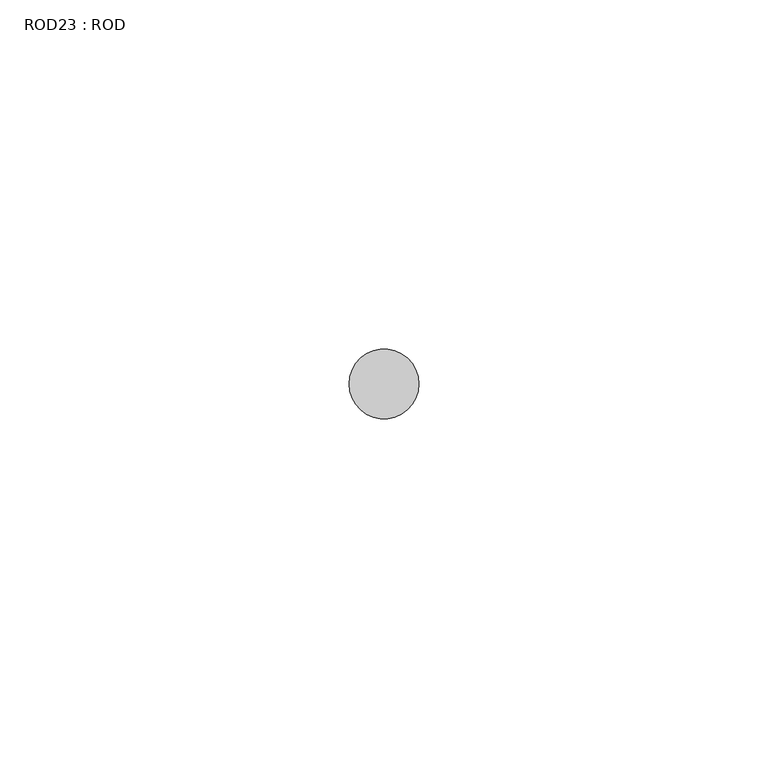
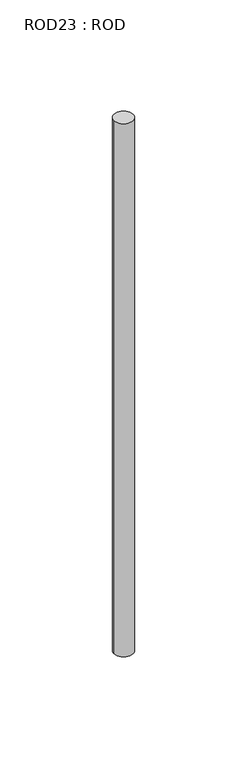
"""IFC4 building model written with IfcOpenShell, lengths in millimetres: proxy geometry, ROD23 : ROD."""

import ifcopenshell
import ifcopenshell.guid

model = None  # the IFC model being written
_history = None  # IfcOwnerHistory: only IFC2X3 demands one
_inside = {}  # id of a spatial element -> (the spatial element, [elements in it])
_under = {}  # id of a project, library or spatial element -> (it, [spatial elements below it])
_declared = {}  # id of a project -> (the project, [libraries it declares])
_typed = {}  # id of a type object -> (the type object, [elements of that type])
_made_of = {}  # id of a material, layer set ... -> (it, [elements and type objects made of it])


def new_model(schema):
    """Start an empty IFC model of exactly this schema.

    Asked for "IFC4X3", IfcOpenShell would pick the latest addendum, in which some entities
    have other attributes; the version numbers below select the first issue.
    IFC2X3 requires an IfcOwnerHistory on every rooted entity: one is made here for all.
    """
    global model, _history
    if schema == "IFC4X3":
        model = ifcopenshell.file(schema_version=(4, 3, 0, 0))
    else:
        model = ifcopenshell.file(schema=schema)
    _inside.clear()
    _under.clear()
    _declared.clear()
    _typed.clear()
    _made_of.clear()
    _history = None
    if model.schema == "IFC2X3":
        org = make("IfcOrganization", Name="unknown")
        user = make(
            "IfcPersonAndOrganization",
            ThePerson=make("IfcPerson", FamilyName="unknown"),
            TheOrganization=org,
        )
        app = make(
            "IfcApplication",
            ApplicationDeveloper=org,
            Version="unknown",
            ApplicationFullName="unknown",
            ApplicationIdentifier="unknown",
        )
        _history = make(
            "IfcOwnerHistory",
            OwningUser=user,
            OwningApplication=app,
            ChangeAction="ADDED",
            CreationDate=0,
        )
    return model


def make(cls, **values):
    """One entity of the class cls with the attributes given. An attribute that is None is left unset."""
    return model.create_entity(
        cls, **{name: value for name, value in values.items() if value is not None}
    )


def rooted(cls, **values):
    """An entity with a GlobalId (a new one), such as an element, a storey or a relation."""
    return make(cls, GlobalId=ifcopenshell.guid.new(), OwnerHistory=_history, **values)


def si_unit(unit_type, name, prefix=None):
    """IfcSIUnit, for example si_unit("LENGTHUNIT", "METRE", prefix="MILLI")."""
    return make("IfcSIUnit", UnitType=unit_type, Prefix=prefix, Name=name)


def assignment(units):
    """IfcUnitAssignment: the units of a project."""
    return None if units is None else make("IfcUnitAssignment", Units=units)


def point(xyz):
    """IfcCartesianPoint."""
    return None if xyz is None else make("IfcCartesianPoint", Coordinates=xyz)


def direction(xyz):
    """IfcDirection."""
    return None if xyz is None else make("IfcDirection", DirectionRatios=xyz)


def frame(location, z_axis=None, x_axis=None):
    """IfcAxis2Placement3D, a coordinate frame: its origin and axes. An axis left out is left unset."""
    return make(
        "IfcAxis2Placement3D",
        Location=point(location),
        Axis=direction(z_axis),
        RefDirection=direction(x_axis),
    )


def frame_2d(location, x_axis=None):
    """IfcAxis2Placement2D, a coordinate frame in the plane: its origin and x axis."""
    return make(
        "IfcAxis2Placement2D", Location=point(location), RefDirection=direction(x_axis)
    )


def origin():
    """The frame at (0, 0, 0) with its axes left unset."""
    return frame((0.0, 0.0, 0.0))


def place(relative_to, where):
    """IfcLocalPlacement: puts the frame where relative to a parent placement (None: the world)."""
    return make(
        "IfcLocalPlacement", PlacementRelTo=relative_to, RelativePlacement=where
    )


def context(
    kind, dimensions, precision=None, world=None, true_north=None, identifier=None
):
    """IfcGeometricRepresentationContext, for example the 3D "Model" context."""
    return make(
        "IfcGeometricRepresentationContext",
        ContextIdentifier=identifier,
        ContextType=kind,
        CoordinateSpaceDimension=dimensions,
        Precision=precision,
        WorldCoordinateSystem=world,
        TrueNorth=true_north,
    )


def project(units=None, contexts=None):
    """IfcProject with its units and contexts."""
    return rooted(
        "IfcProject",
        Name="project",
        RepresentationContexts=contexts,
        UnitsInContext=assignment(units),
    )


def spatial(cls, under=None, at=None, **own):
    """A site, building, storey or space (cls), placed at a placement, below another one or the project."""
    s = rooted(cls, ObjectPlacement=at, **own)
    if under is not None:
        _under.setdefault(under.id(), (under, []))[1].append(s)
    return s


def circle_curve(where, radius):
    """IfcCircle in the frame where."""
    return make("IfcCircle", Position=where, Radius=radius)


def trimmed(basis, trim1, trim2, sense, master):
    """IfcTrimmedCurve: the piece of a basis curve between two trims."""
    return make(
        "IfcTrimmedCurve",
        BasisCurve=basis,
        Trim1=trim1,
        Trim2=trim2,
        SenseAgreement=sense,
        MasterRepresentation=master,
    )


def segment(curve, same_sense, transition):
    """IfcCompositeCurveSegment."""
    return make(
        "IfcCompositeCurveSegment",
        Transition=transition,
        SameSense=same_sense,
        ParentCurve=curve,
    )


def composite_curve(segments, self_intersect=None):
    """IfcCompositeCurve: segments joined end to end."""
    return make("IfcCompositeCurve", Segments=segments, SelfIntersect=self_intersect)


def outline(outer, holes=None, kind="AREA"):
    """IfcArbitraryClosedProfileDef: a profile drawn as a closed curve; with holes, ...WithVoids."""
    if holes is None:
        return make("IfcArbitraryClosedProfileDef", ProfileType=kind, OuterCurve=outer)
    return make(
        "IfcArbitraryProfileDefWithVoids",
        ProfileType=kind,
        OuterCurve=outer,
        InnerCurves=holes,
    )


def extrude(swept, where, along, depth):
    """IfcExtrudedAreaSolid: the profile swept, set in the frame where, extruded along a direction by depth."""
    return make(
        "IfcExtrudedAreaSolid",
        SweptArea=swept,
        Position=where,
        ExtrudedDirection=direction(along),
        Depth=depth,
    )


def shape(context_of_items, identifier, shape_type, items):
    """IfcShapeRepresentation: the items that make up one representation, for example the "Body"."""
    return make(
        "IfcShapeRepresentation",
        ContextOfItems=context_of_items,
        RepresentationIdentifier=identifier,
        RepresentationType=shape_type,
        Items=items,
    )


def source(mapping_origin, context_of_items, identifier, shape_type, items):
    """IfcRepresentationMap: a shape defined once, which mapped items show again and again."""
    return make(
        "IfcRepresentationMap",
        MappingOrigin=mapping_origin,
        MappedRepresentation=shape(context_of_items, identifier, shape_type, items),
    )


def transform(
    local_origin,
    x_axis=None,
    y_axis=None,
    z_axis=None,
    scale=None,
    scale2=None,
    scale3=None,
    uniform=True,
):
    """IfcCartesianTransformationOperator3D, or its non-uniform kind. x_axis, y_axis, z_axis: its Axis1, 2, 3."""
    if uniform:
        return make(
            "IfcCartesianTransformationOperator3D",
            Axis1=direction(x_axis),
            Axis2=direction(y_axis),
            LocalOrigin=point(local_origin),
            Scale=scale,
            Axis3=direction(z_axis),
        )
    return make(
        "IfcCartesianTransformationOperator3DnonUniform",
        Axis1=direction(x_axis),
        Axis2=direction(y_axis),
        LocalOrigin=point(local_origin),
        Scale=scale,
        Axis3=direction(z_axis),
        Scale2=scale2,
        Scale3=scale3,
    )


def mapped(mapping_source, mapping_target):
    """IfcMappedItem: shows the shape of a source again, moved by a transform."""
    return make(
        "IfcMappedItem", MappingSource=mapping_source, MappingTarget=mapping_target
    )


def made_of(thing, what):
    """Note that an element or type object is made of a material, layer set ...; save() writes the relation."""
    if what is not None:
        _made_of.setdefault(what.id(), (what, []))[1].append(thing)
    return thing


def element(
    cls,
    number,
    at=None,
    inside=None,
    cuts=None,
    type_object=None,
    material=None,
    context=None,
    identifier="Body",
    shape_type=None,
    held_by="IfcProductDefinitionShape",
    body=None,
    shapes=None,
    **own,
):
    """One element of the class cls, such as IfcWall. Its Tag is "e" and its number.

    at: its placement. inside: the storey or other place that contains it. cuts: it is an
    opening in that element (IfcRelVoidsElement). A single representation is given by context,
    identifier, shape_type and body (its items); several are given by shapes. held_by: the class
    of the entity that holds the representations. save() writes the other relations.
    """
    e = rooted(cls, Tag="e%d" % number, ObjectPlacement=at, **own)
    if body is not None:
        shapes = [shape(context, identifier, shape_type, body)]
    if shapes is not None:
        e.Representation = make(held_by, Representations=shapes)
    if inside is not None:
        _inside.setdefault(inside.id(), (inside, []))[1].append(e)
    if cuts is not None:
        rooted(
            "IfcRelVoidsElement", RelatingBuildingElement=cuts, RelatedOpeningElement=e
        )
    if type_object is not None:
        _typed.setdefault(type_object.id(), (type_object, []))[1].append(e)
    return made_of(e, material)


def aggregate(whole, parts):
    """IfcRelAggregates: a whole, such as a stair, and the parts it consists of."""
    return rooted("IfcRelAggregates", RelatingObject=whole, RelatedObjects=parts)


def save(model, path):
    """Write the relations noted so far, then the file.

    IfcRelAggregates (storeys below a building ...), IfcRelContainedInSpatialStructure (elements
    in a storey), IfcRelDefinesByType, IfcRelAssociatesMaterial and IfcRelDeclares: one each for
    every whole, place, type object, material and project.
    """
    for whole, parts in _under.values():
        aggregate(whole, parts)
    for where, things in _inside.values():
        rooted(
            "IfcRelContainedInSpatialStructure",
            RelatedElements=things,
            RelatingStructure=where,
        )
    for kind, things in _typed.values():
        rooted("IfcRelDefinesByType", RelatedObjects=things, RelatingType=kind)
    for what, things in _made_of.values():
        rooted("IfcRelAssociatesMaterial", RelatedObjects=things, RelatingMaterial=what)
    for by, libraries in _declared.values():
        rooted("IfcRelDeclares", RelatingContext=by, RelatedDefinitions=libraries)
    model.write(path)


def rod23_rod_02d7fd59(model_context):
    return source(origin(), model_context, "Body", "SweptSolid", [
        extrude(outline(composite_curve([segment(trimmed(circle_curve(frame_2d((-4407.2215616, -1114.6300853)), 5.0), [point((-4412.2215616, -1114.6300853))], [point((-4402.2215616, -1114.6300853))], False, "CARTESIAN"), True, "CONTINUOUS"), segment(trimmed(circle_curve(frame_2d((-4407.2215616, -1114.6300853)), 5.0), [point((-4402.2215616, -1114.6300853))], [point((-4412.2215616, -1114.6300853))], False, "CARTESIAN"), True, "CONTINUOUS")], self_intersect=False)), frame((0.0, 0.0, -208.6608845), z_axis=(0.0, 0.0, 1.0), x_axis=(1.0, 0.0, 0.0)), (0.0, 0.0, 1.0), 298.9028972),
    ])


if __name__ == "__main__":
    model = new_model("IFC4")
    model_context = context("Model", 3, world=origin())
    ifc_project = project(units=[si_unit("LENGTHUNIT", "METRE", prefix="MILLI")], contexts=[model_context])
    site = spatial("IfcSite", under=ifc_project)
    building = spatial("IfcBuilding", under=site)
    placement = place(None, origin())
    rod23_rod_shape = rod23_rod_02d7fd59(model_context)
    element("IfcBuildingElementProxy", 1, Name="ROD23 : ROD", ObjectType="ROD23 : ROD", at=placement, inside=building, context=model_context, shape_type="MappedRepresentation", body=[
        mapped(rod23_rod_shape, transform((0.0, 0.0, 0.0), x_axis=(1.0, 0.0, 0.0), y_axis=(0.0, 1.0, 0.0), z_axis=(0.0, 0.0, 1.0))),
    ])
    save(model, "model.ifc")
